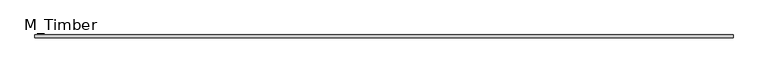
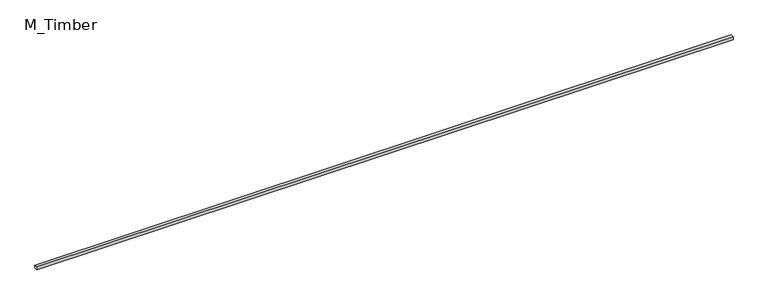
"""IFC4 building model written with IfcOpenShell, lengths in millimetres: beam geometry, M_Timber."""

from ifc_helpers import new_model, si_unit, frame, origin, place, context, project, spatial, polyline, outline, extrude, source, transform, mapped, element, save


def m_timber_0cb67e29(model_context):
    return source(origin(), model_context, "Body", "SweptSolid", [
        extrude(outline(polyline([(4519.4006055, 20.0), (4519.4006055, -20.0), (-4519.4006055, -20.0), (-4519.4006055, 20.0), (4519.4006055, 20.0)])), frame((0.0, 0.0, -20.0), z_axis=(0.0, 0.0, 1.0), x_axis=(1.0, 0.0, 0.0)), (0.0, 0.0, 1.0), 40.0),
    ])


if __name__ == "__main__":
    model = new_model("IFC4")
    model_context = context("Model", 3, world=origin())
    ifc_project = project(units=[si_unit("LENGTHUNIT", "METRE", prefix="MILLI")], contexts=[model_context])
    site = spatial("IfcSite", under=ifc_project)
    building = spatial("IfcBuilding", under=site)
    placement = place(None, origin())
    m_timber_shape = m_timber_0cb67e29(model_context)
    element("IfcBeam", 1, ObjectType="M_Timber", at=placement, inside=building, context=model_context, shape_type="MappedRepresentation", body=[
        mapped(m_timber_shape, transform((0.0, 0.0, 0.0), x_axis=(1.0, 0.0, 0.0), y_axis=(0.0, 1.0, 0.0), z_axis=(0.0, 0.0, 1.0))),
    ])
    save(model, "model.ifc")
